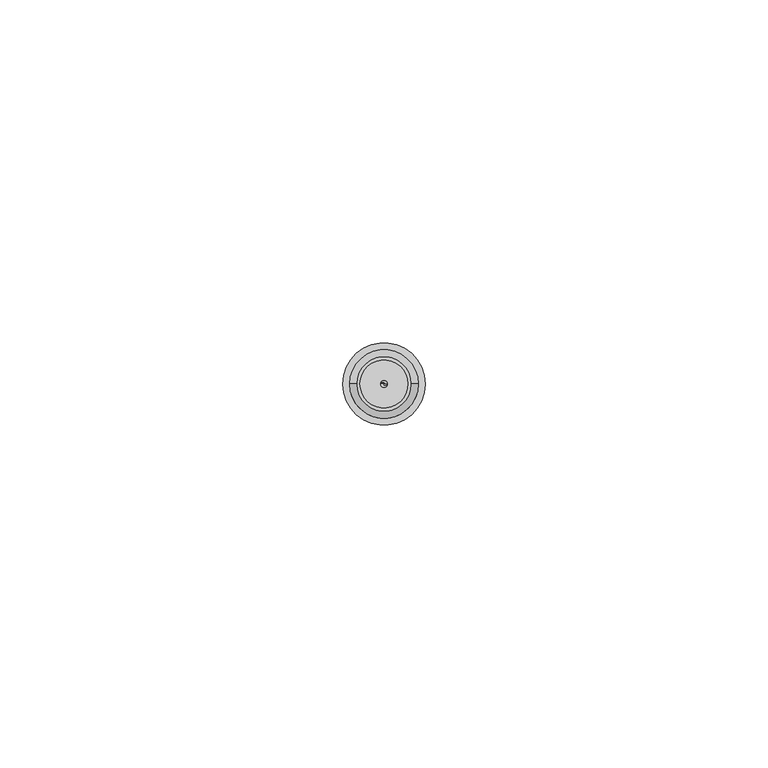
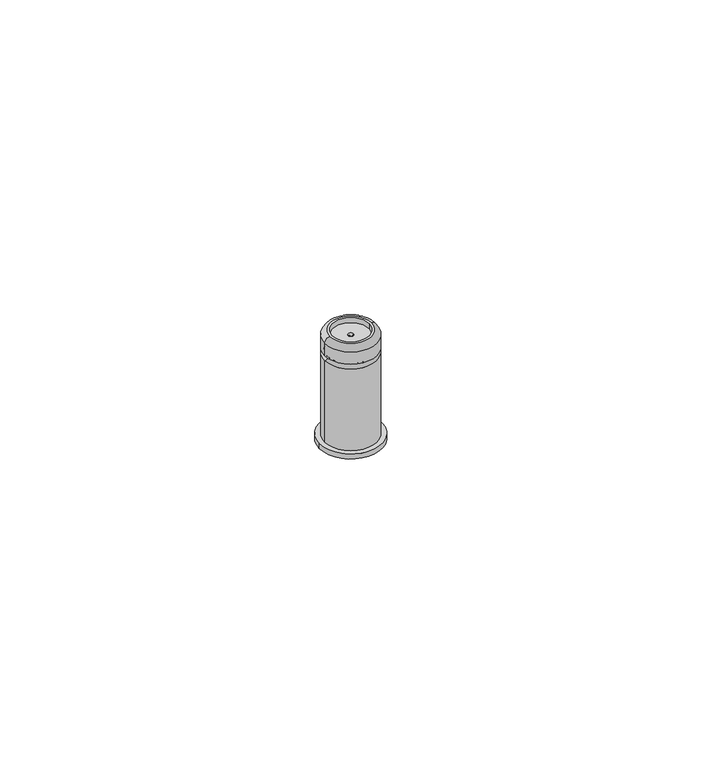
"""IFC4 building model written with IfcOpenShell, lengths in millimetres: proxy geometry."""

from ifc_helpers import new_model, si_unit, point, frame, origin, origin_with_axes, place, context, project, spatial, polyline, circle_curve, ellipse_curve, trimmed, source, transform, mapped, element, save
from ifc_brep_helpers import plane_surface, cylinder_surface, revolved_surface, advanced_brep


def generic_models_2249dcf7(model_context):
    return source(origin(), model_context, "Body", "AdvancedBrep", [
        advanced_brep(
        [(0.5, 0.0, 0.0), (0.0, 0.0, 0.5), (-0.5, 0.0, 0.0), (0.0, 0.0, 20.5), (0.5, 0.0, 21.0), (-0.5, 0.0, 21.0), (3.5, 0.0, 21.0), (3.5, 0.0, 22.0), (-3.5, 0.0, 22.0), (-3.5, 0.0, 21.0), (5.0, 0.0, 21.0), (4.0, 0.0, 22.0), (-4.0, 0.0, 22.0), (-5.0, 0.0, 21.0), (5.0, 0.0, 18.5), (-5.0, 0.0, 18.5), (4.5, 0.0, 18.0), (5.0, 0.0, 17.5), (-5.0, 0.0, 17.5), (-4.5, 0.0, 18.0), (5.0, 0.0, 1.0), (-5.0, 0.0, 1.0), (6.0, 0.0, 0.0), (6.0, 0.0, 1.0), (-6.0, 0.0, 1.0), (-6.0, 0.0, 0.0)],
        [
            (0, 1),
            (1, 2),
            (2, 0, circle_curve(frame((0.0, 0.0, 0.0), z_axis=(0.0, 0.0, -1.0), x_axis=(1.0, 0.0, 0.0)), 0.5)),
            (3, 4),
            (4, 5, circle_curve(frame((0.0, 0.0, 21.0), z_axis=(0.0, 0.0, 1.0), x_axis=(1.0, 0.0, 0.0)), 0.5)),
            (5, 3),
            (6, 7),
            (7, 8, circle_curve(frame((0.0, 0.0, 22.0), z_axis=(0.0, 0.0, 1.0), x_axis=(1.0, 0.0, 0.0)), 3.5)),
            (8, 9),
            (9, 6, circle_curve(frame((0.0, 0.0, 21.0), z_axis=(0.0, 0.0, -1.0), x_axis=(1.0, 0.0, 0.0)), 3.5)),
            (10, 11, circle_curve(frame((4.0, 0.0, 21.0), z_axis=(0.0, -1.0, 0.0), x_axis=(1.0, 0.0, 0.0)), 1.0)),
            (11, 12, circle_curve(frame((0.0, 0.0, 22.0), z_axis=(0.0, 0.0, -1.0), x_axis=(-1.0, 0.0, 0.0)), 4.0)),
            (12, 13, circle_curve(frame((-4.0, 0.0, 21.0), z_axis=(0.0, -1.0, 0.0), x_axis=(-1.0, 0.0, 0.0)), 1.0)),
            (13, 10, circle_curve(frame((0.0, 0.0, 21.0), z_axis=(0.0, 0.0, 1.0), x_axis=(-1.0, 0.0, 0.0)), 5.0)),
            (14, 10),
            (13, 15),
            (15, 14, circle_curve(frame((0.0, 0.0, 18.5), z_axis=(0.0, 0.0, 1.0), x_axis=(1.0, 0.0, 0.0)), 5.0)),
            (14, 16, circle_curve(frame((5.0, 0.0, 18.0), z_axis=(0.0, -1.0, 0.0), x_axis=(1.0, 0.0, 0.0)), 0.5)),
            (16, 17, circle_curve(frame((5.0, 0.0, 18.0), z_axis=(0.0, -1.0, 0.0), x_axis=(1.0, 0.0, 0.0)), 0.5)),
            (17, 18, circle_curve(frame((0.0, 0.0, 17.5), z_axis=(0.0, 0.0, 1.0), x_axis=(1.0, 0.0, 0.0)), 5.0)),
            (18, 19, circle_curve(frame((-5.0, 0.0, 18.0), z_axis=(0.0, -1.0, 0.0), x_axis=(-1.0, 0.0, 0.0)), 0.5)),
            (19, 15, circle_curve(frame((-5.0, 0.0, 18.0), z_axis=(0.0, -1.0, 0.0), x_axis=(-1.0, 0.0, 0.0)), 0.5)),
            (15, 14, circle_curve(frame((0.0, 0.0, 18.5), z_axis=(0.0, 0.0, -1.0), x_axis=(1.0, 0.0, 0.0)), 5.0)),
            (20, 17),
            (17, 18, circle_curve(frame((0.0, 0.0, 17.5), z_axis=(0.0, 0.0, -1.0), x_axis=(1.0, 0.0, 0.0)), 5.0)),
            (18, 21),
            (21, 20, circle_curve(frame((0.0, 0.0, 1.0), z_axis=(0.0, 0.0, 1.0), x_axis=(1.0, 0.0, 0.0)), 5.0)),
            (22, 23),
            (23, 24, circle_curve(frame((0.0, 0.0, 1.0), z_axis=(0.0, 0.0, -1.0), x_axis=(1.0, 0.0, 0.0)), 6.0)),
            (24, 25),
            (25, 22, circle_curve(origin_with_axes(), 6.0)),
            (25, 22, circle_curve(frame((0.0, 0.0, 0.0), z_axis=(0.0, 0.0, -1.0), x_axis=(1.0, 0.0, 0.0)), 6.0)),
            (2, 0, circle_curve(frame((0.0, 0.0, 0.0), z_axis=(0.0, 0.0, 1.0), x_axis=(-1.0, 0.0, 0.0)), 0.5)),
            (24, 23, circle_curve(frame((0.0, 0.0, 1.0), z_axis=(0.0, 0.0, -1.0), x_axis=(1.0, 0.0, 0.0)), 6.0)),
            (21, 20, circle_curve(frame((0.0, 0.0, 1.0), z_axis=(0.0, 0.0, -1.0), x_axis=(1.0, 0.0, 0.0)), 5.0)),
            (13, 10, circle_curve(frame((0.0, 0.0, 21.0), z_axis=(0.0, 0.0, -1.0), x_axis=(1.0, 0.0, 0.0)), 5.0)),
            (12, 11, circle_curve(frame((0.0, 0.0, 22.0), z_axis=(0.0, 0.0, -1.0), x_axis=(1.0, 0.0, 0.0)), 4.0)),
            (7, 8, circle_curve(frame((0.0, 0.0, 22.0), z_axis=(0.0, 0.0, -1.0), x_axis=(1.0, 0.0, 0.0)), 3.5)),
            (6, 9, circle_curve(frame((0.0, 0.0, 21.0), z_axis=(0.0, 0.0, -1.0), x_axis=(1.0, 0.0, 0.0)), 3.5)),
            (4, 5, circle_curve(frame((0.0, 0.0, 21.0), z_axis=(0.0, 0.0, -1.0), x_axis=(-1.0, 0.0, 0.0)), 0.5)),
        ],
        [
            revolved_surface(polyline([(0.5, 0.0, 0.0), (0.0, 0.0, 0.5)]), (0.0, 0.0, 0.5), (0.0, 0.0, -1.0)),
            revolved_surface(polyline([(0.5, 0.0, 21.0), (0.0, 0.0, 20.5)]), (0.0, 0.0, 20.5), (0.0, 0.0, 1.0)),
            revolved_surface(polyline([(3.5, 0.0, 22.0), (3.5, 0.0, 21.0)]), (0.0, 0.0, 21.5), (0.0, 0.0, 1.0)),
            revolved_surface(trimmed(ellipse_curve(frame((-4.0, 0.0, 21.0), z_axis=(0.0, 1.0, 0.0), x_axis=(-1.0, 0.0, 0.0)), 1.0, 1.0), [point((-5.0, 0.0, 21.0))], [point((-4.0, 0.0, 22.0))], True, "CARTESIAN"), (0.0, 0.0, 21.0), (0.0, 0.0, 1.0)),
            cylinder_surface(frame((0.0, 0.0, 19.75), z_axis=(0.0, 0.0, 1.0), x_axis=(1.0, 0.0, 0.0)), 5.0),
            revolved_surface(trimmed(ellipse_curve(frame((5.0, 0.0, 18.0), z_axis=(0.0, 1.0, 0.0), x_axis=(1.0, 0.0, 0.0)), 0.5, 0.5), [point((5.0, 0.0, 17.5))], [point((5.0, 0.0, 18.5))], True, "CARTESIAN"), (0.0, 0.0, 18.0), (0.0, 0.0, 1.0)),
            cylinder_surface(frame((0.0, 0.0, 9.25), z_axis=(0.0, 0.0, 1.0), x_axis=(1.0, 0.0, 0.0)), 5.0),
            cylinder_surface(frame((0.0, 0.0, 0.5), z_axis=(0.0, 0.0, 1.0), x_axis=(1.0, 0.0, 0.0)), 6.0),
            plane_surface(frame((6.0, 0.0, 0.0), z_axis=(0.0, 0.0, -1.0), x_axis=(-1.0, 0.0, 0.0))),
            plane_surface(frame((5.0, 0.0, 1.0), z_axis=(0.0, 0.0, 1.0), x_axis=(1.0, 0.0, 0.0))),
            revolved_surface(trimmed(ellipse_curve(frame((-5.0, 0.0, 18.0), z_axis=(0.0, -1.0, 0.0), x_axis=(-1.0, 0.0, 0.0)), 0.5, 0.5), [point((-5.0, 0.0, 17.5))], [point((-5.0, 0.0, 18.5))], True, "CARTESIAN"), (0.0, 0.0, 18.0), (0.0, 0.0, 1.0)),
            revolved_surface(trimmed(ellipse_curve(frame((4.0, 0.0, 21.0), z_axis=(0.0, -1.0, 0.0), x_axis=(1.0, 0.0, 0.0)), 1.0, 1.0), [point((5.0, 0.0, 21.0))], [point((4.0, 0.0, 22.0))], True, "CARTESIAN"), (0.0, 0.0, 21.0), (0.0, 0.0, 1.0)),
            plane_surface(frame((3.5, 0.0, 22.0), z_axis=(0.0, 0.0, 1.0), x_axis=(1.0, 0.0, 0.0))),
            plane_surface(frame((0.5, 0.0, 21.0), z_axis=(0.0, 0.0, 1.0), x_axis=(1.0, 0.0, 0.0))),
        ],
        [
            (0, [[1, 2, 3]]),
            (1, [[4, 5, 6]]),
            (2, [[7, 8, 9, 10]]),
            (3, [[11, 12, 13, 14]]),
            (4, [[15, -14, 16, 17]]),
            (5, [[18, 19, 20, 21, 22, 23]]),
            (6, [[24, 25, 26, 27]]),
            (7, [[28, 29, 30, 31]]),
            (8, [[32, -31], [-3, 33]]),
            (7, [[-28, -32, -30, 34]]),
            (9, [[-34, -29], [35, -27]]),
            (6, [[-24, -35, -26, -20]]),
            (10, [[-18, -17, -22, -21, -25, -19]]),
            (4, [[-15, -23, -16, 36]]),
            (11, [[-11, -36, -13, 37]]),
            (12, [[-37, -12], [-8, 38]]),
            (2, [[-7, 39, -9, -38]]),
            (13, [[-10, -39], [-5, 40]]),
            (1, [[-4, -6, -40]]),
            (0, [[-1, -33, -2]]),
        ],
    ),
    ])


if __name__ == "__main__":
    model = new_model("IFC4")
    model_context = context("Model", 3, world=origin())
    ifc_project = project(units=[si_unit("LENGTHUNIT", "METRE", prefix="MILLI")], contexts=[model_context])
    site = spatial("IfcSite", under=ifc_project)
    building = spatial("IfcBuilding", under=site)
    placement = place(None, origin())
    generic_models_shape = generic_models_2249dcf7(model_context)
    element("IfcBuildingElementProxy", 1, Name="Generic Models", at=placement, inside=building, context=model_context, shape_type="MappedRepresentation", body=[
        mapped(generic_models_shape, transform((0.0, 0.0, 0.0), x_axis=(1.0, 0.0, 0.0), y_axis=(0.0, 1.0, 0.0), z_axis=(0.0, 0.0, 1.0))),
    ])
    save(model, "model.ifc")
